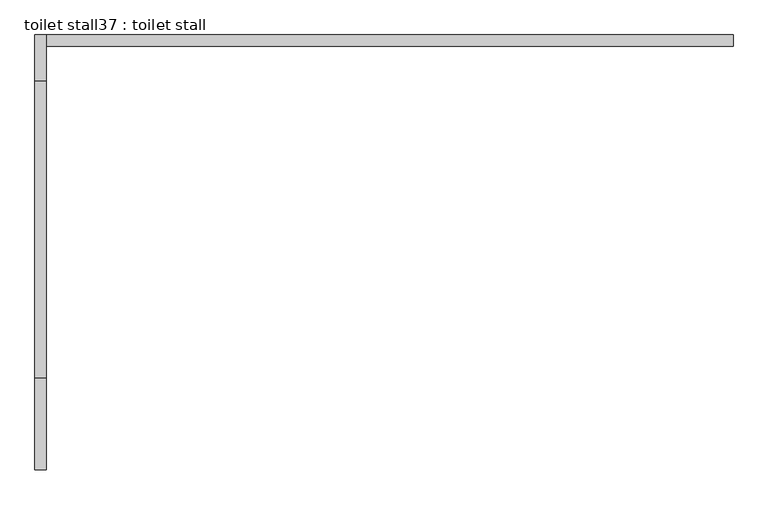
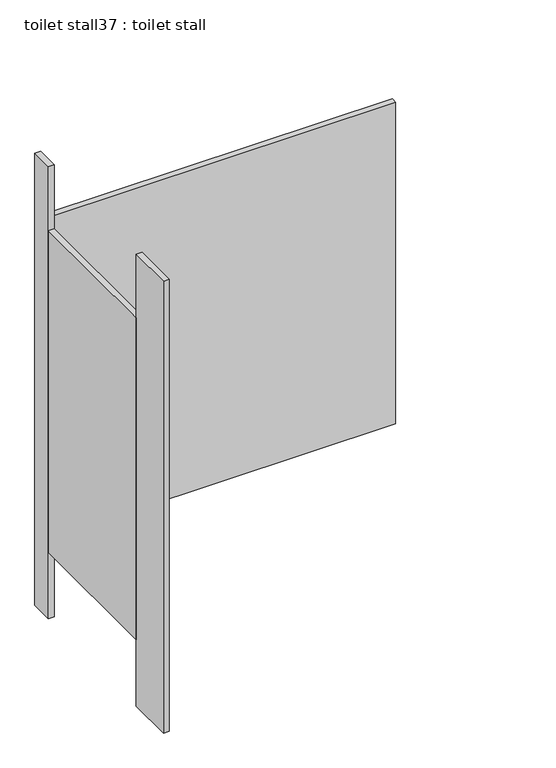
"""IFC4 building model written with IfcOpenShell, lengths in millimetres: proxy geometry, toilet stall37 : toilet stall."""

from ifc_helpers import new_model, si_unit, frame, origin, origin_with_axes, place, context, project, spatial, polyline, outline, extrude, source, transform, mapped, element, save


def toilet_stall37_toilet_stall_6dcce22c(model_context):
    return source(origin(), model_context, "Body", "SweptSolid", [
        extrude(outline(polyline([(457604.6004676, -268985.8233948), (457604.6004676, -269189.0233948), (457579.2004676, -269189.0233948), (457579.2004676, -268985.8233948), (457604.6004676, -268985.8233948)])), origin_with_axes(), (0.0, 0.0, 1.0), 2070.1),
        extrude(outline(polyline([(457604.6004676, -268223.8233948), (457604.6004676, -268325.4233948), (457579.2004676, -268325.4233948), (457579.2004676, -268223.8233948), (457604.6004676, -268223.8233948)])), origin_with_axes(), (0.0, 0.0, 1.0), 2070.1),
        extrude(outline(polyline([(457604.6004676, -268223.8233948), (459128.6004676, -268223.8233948), (459128.6004676, -268249.2233948), (457604.6004676, -268249.2233948), (457604.6004676, -268223.8233948)])), frame((0.0, 0.0, 304.8), z_axis=(0.0, 0.0, 1.0), x_axis=(1.0, 0.0, 0.0)), (0.0, 0.0, 1.0), 1473.2),
        extrude(outline(polyline([(457604.6004676, -268325.4233948), (457604.6004676, -268985.8233948), (457579.2004676, -268985.8233948), (457579.2004676, -268325.4233948), (457604.6004676, -268325.4233948)])), frame((0.0, 0.0, 304.8), z_axis=(0.0, 0.0, 1.0), x_axis=(1.0, 0.0, 0.0)), (0.0, 0.0, 1.0), 1473.2),
    ])


if __name__ == "__main__":
    model = new_model("IFC4")
    model_context = context("Model", 3, world=origin())
    ifc_project = project(units=[si_unit("LENGTHUNIT", "METRE", prefix="MILLI")], contexts=[model_context])
    site = spatial("IfcSite", under=ifc_project)
    building = spatial("IfcBuilding", under=site)
    placement = place(None, origin())
    toilet_stall37_toilet_stall_shape = toilet_stall37_toilet_stall_6dcce22c(model_context)
    element("IfcBuildingElementProxy", 1, Name="toilet stall37 : toilet stall", ObjectType="toilet stall37 : toilet stall", at=placement, inside=building, context=model_context, shape_type="MappedRepresentation", body=[
        mapped(toilet_stall37_toilet_stall_shape, transform((0.0, 0.0, 0.0), x_axis=(1.0, 0.0, 0.0), y_axis=(0.0, 1.0, 0.0), z_axis=(0.0, 0.0, 1.0))),
    ])
    save(model, "model.ifc")
